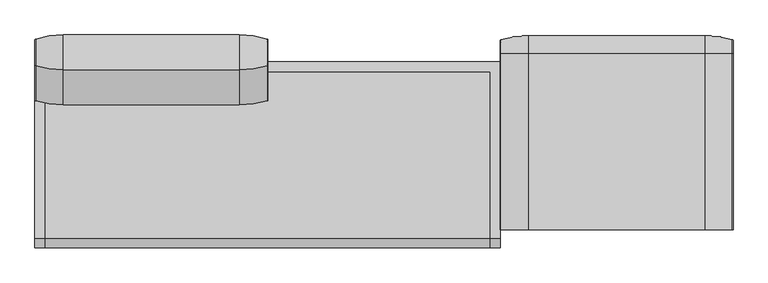
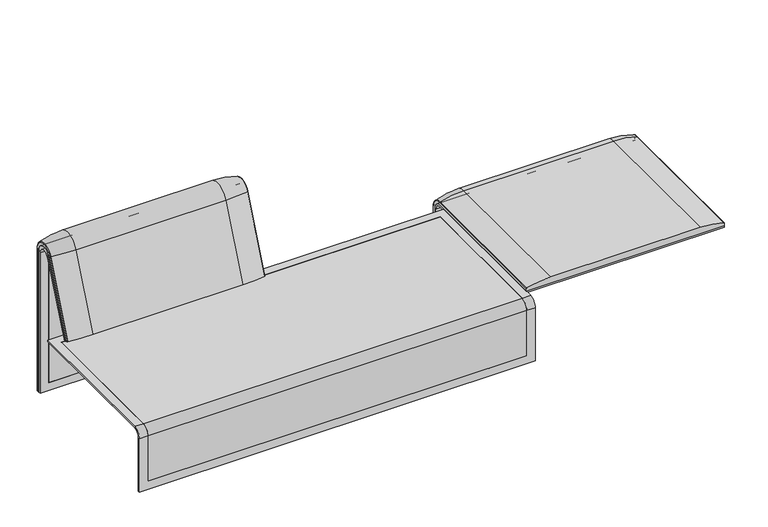
"""IFC4 building model written with IfcOpenShell, lengths in millimetres: furniture geometry."""

from ifc_helpers import new_model, si_unit, point, frame, frame_2d, origin, place, context, project, spatial, polyline, circle_curve, ellipse_curve, trimmed, segment, composite_curve, outline, extrude, source, transform, mapped, element, save
from ifc_brep_helpers import plane_surface, cylinder_surface, revolved_surface, advanced_brep


def furniture_a94e5508(model_context):
    return source(origin(), model_context, "Body", "SolidModel", [
        advanced_brep(
        [(-407.9740803, 351.0000061, 101.8476716), (-407.9740803, 359.7858817, 101.8476716), (-407.9740803, 359.7858817, 720.3417731), (-407.9740803, 292.4403877, 733.7122262), (-407.9740803, 170.1966807, 437.98305), (-407.9740803, 175.0204081, 435.9866665), (-407.9740803, 296.2458652, 723.9869215), (-407.9740803, 351.0000061, 712.9272623), (-1223.9553291, 351.0000061, 101.8476716), (-1223.9553291, 351.0000061, 712.9272623), (-1223.9553291, 296.2720241, 723.9759107), (-1223.9553291, 175.0204081, 435.9866665), (-1223.9553291, 170.1966807, 437.98305), (-1223.9553291, 292.4403877, 733.7122262), (-1223.9553291, 359.7858817, 720.3417731), (-1223.9553291, 359.7858817, 101.8476716), (-442.8906244, 292.4403877, 733.7122262), (-442.8906244, 176.0980387, 452.25948), (-1189.0718733, 176.0980387, 452.25948), (-1189.0718733, 292.4403877, 733.7122262), (-1189.0718733, 296.2458652, 723.9869215), (-1189.0718733, 181.0136548, 450.2250668), (-442.8906244, 181.0136548, 450.2250668), (-442.8906244, 296.2458652, 723.9869215), (-442.8906244, 351.0000061, 712.9272623), (-442.8906244, 351.0000061, 135.3766997), (-1189.0718733, 351.0000061, 135.3766997), (-1189.0718733, 351.0000061, 712.9272623), (-1189.0718733, 359.7858817, 720.3417731), (-1189.0718733, 359.7858817, 135.3766997), (-442.8906244, 359.7858817, 135.3766997), (-442.8906244, 359.7858817, 720.3417731)],
        [
            (0, 1),
            (1, 2),
            (2, 3, circle_curve(frame((-407.9740803, 324.7858817, 720.3417731), z_axis=(1.0, 0.0, 0.0), x_axis=(0.0, -1.0, 0.0)), 35.0)),
            (3, 4),
            (4, 5),
            (5, 6),
            (6, 7, circle_curve(frame((-407.9740803, 322.520748, 712.9272623), z_axis=(-1.0, 0.0, 0.0), x_axis=(0.0, -1.0, 0.0)), 28.479258)),
            (7, 0),
            (8, 9),
            (9, 10, circle_curve(frame((-1223.9553291, 322.520748, 712.9272623), z_axis=(1.0, 0.0, 0.0), x_axis=(0.0, -1.0, 0.0)), 28.479258)),
            (10, 11),
            (11, 12),
            (12, 13),
            (13, 14, circle_curve(frame((-1223.9553291, 324.7858817, 720.3417731), z_axis=(-1.0, 0.0, 0.0), x_axis=(0.0, -1.0, 0.0)), 35.0)),
            (14, 15),
            (15, 8),
            (3, 16),
            (16, 17),
            (17, 18),
            (18, 19),
            (19, 13),
            (12, 4),
            (11, 5),
            (10, 20),
            (20, 21),
            (21, 22),
            (22, 23),
            (23, 6),
            (7, 24),
            (24, 25),
            (25, 26),
            (26, 27),
            (27, 9),
            (8, 0),
            (15, 1),
            (14, 28),
            (28, 29),
            (29, 30),
            (30, 31),
            (31, 2),
            (31, 16, circle_curve(frame((-442.8906244, 324.7858817, 720.3417731), z_axis=(1.0, 0.0, 0.0), x_axis=(0.0, -1.0, 0.0)), 35.0)),
            (19, 28, circle_curve(frame((-1189.0718733, 324.7858817, 720.3417731), z_axis=(-1.0, 0.0, 0.0), x_axis=(0.0, -1.0, 0.0)), 35.0)),
            (23, 24, circle_curve(frame((-442.8906244, 322.520748, 712.9272623), z_axis=(-1.0, 0.0, 0.0), x_axis=(0.0, -1.0, 0.0)), 28.479258)),
            (27, 20, circle_curve(frame((-1189.0718733, 322.520748, 712.9272623), z_axis=(1.0, 0.0, 0.0), x_axis=(0.0, -1.0, 0.0)), 28.479258)),
            (22, 17),
            (30, 25),
            (26, 29),
            (18, 21),
        ],
        [
            plane_surface(frame((-407.9740803, 359.7858817, 101.8476716), z_axis=(1.0, 0.0, 0.0), x_axis=(0.0, 1.0, 0.0))),
            plane_surface(frame((-1223.9553291, 359.7858817, 101.8476716), z_axis=(-1.0, 0.0, 0.0), x_axis=(0.0, -1.0, 0.0))),
            plane_surface(frame((-407.9740803, 292.4403877, 733.7122262), z_axis=(0.0, -0.9241569717933176, 0.3820129467515535), x_axis=(-1.0, 0.0, 0.0))),
            plane_surface(frame((-407.9740803, 170.1966807, 437.98305), z_axis=(0.0, -0.38241039441983893, -0.9239925812687368), x_axis=(-1.0, 0.0, 0.0))),
            plane_surface(frame((-407.9740803, 175.0204081, 435.9866665), z_axis=(0.0, 0.921678643444566, -0.3879542218073993), x_axis=(-1.0, 0.0, 0.0))),
            plane_surface(frame((-407.9740803, 351.0000061, 712.9272623), z_axis=(0.0, -1.0, 0.0), x_axis=(-1.0, 0.0, 0.0))),
            plane_surface(frame((-407.9740803, 351.0000061, 101.8476716), z_axis=(0.0, 0.0, -1.0), x_axis=(-1.0, 0.0, 0.0))),
            plane_surface(frame((-407.9740803, 359.7858817, 101.8476716), z_axis=(0.0, 1.0, 0.0), x_axis=(-1.0, 0.0, 0.0))),
            cylinder_surface(frame((-1223.9553291, 324.7858817, 720.3417731), z_axis=(1.0, 0.0, 0.0), x_axis=(0.0, -1.0, 0.0)), 35.0),
            revolved_surface(polyline([(-442.8906244, 294.04149, 712.9272623), (-407.97408029999997, 294.04149, 712.9272623)]), (-1223.9553291, 322.520748, 712.9272623), (-1.0, 0.0, 0.0)),
            revolved_surface(polyline([(-1223.9553291, 294.04149, 712.9272623), (-1189.0718733, 294.04149, 712.9272623)]), (-1223.9553291, 322.520748, 712.9272623), (-1.0, 0.0, 0.0)),
            plane_surface(frame((-442.8906244, 359.7858817, 135.3766997), z_axis=(-1.0, 0.0, 0.0), x_axis=(0.0, 1.0, 0.0))),
            plane_surface(frame((-1189.0718733, 359.7858817, 135.3766997), z_axis=(1.0, 0.0, 0.0), x_axis=(0.0, -1.0, 0.0))),
            plane_surface(frame((-442.8906244, 166.9120641, 456.0612553), z_axis=(0.0, 0.38241039441982605, 0.9239925812687422), x_axis=(-1.0, 0.0, 0.0))),
            plane_surface(frame((-442.8906244, 344.7858817, 135.3766997), z_axis=(0.0, 0.0, 1.0), x_axis=(-1.0, 0.0, 0.0))),
        ],
        [
            (0, [[1, 2, 3, 4, 5, 6, 7, 8]]),
            (1, [[9, 10, 11, 12, 13, 14, 15, 16]]),
            (2, [[-4, 17, 18, 19, 20, 21, -13, 22]]),
            (3, [[-5, -22, -12, 23]]),
            (4, [[-6, -23, -11, 24, 25, 26, 27, 28]]),
            (5, [[-8, 29, 30, 31, 32, 33, -9, 34]]),
            (6, [[-1, -34, -16, 35]]),
            (7, [[-2, -35, -15, 36, 37, 38, 39, 40]]),
            (8, [[-3, -40, 41, -17]]),
            (8, [[-14, -21, 42, -36]]),
            (9, [[-7, -28, 43, -29]]),
            (10, [[-10, -33, 44, -24]]),
            (11, [[45, -18, -41, -39, 46, -30, -43, -27]]),
            (12, [[47, -37, -42, -20, 48, -25, -44, -32]]),
            (13, [[-45, -26, -48, -19]]),
            (14, [[-46, -38, -47, -31]]),
        ],
    ),
        advanced_brep(
        [(-442.8906244, 351.0000061, 135.3766997), (-442.8906244, 359.7858817, 135.3766997), (-442.8906244, 359.7858817, 720.3417731), (-442.8906244, 292.4403877, 733.7122262), (-442.8906244, 176.0980387, 452.25948), (-442.8906244, 181.0136548, 450.2250668), (-442.8906244, 296.2458652, 723.9869215), (-442.8906244, 351.0000061, 712.9272623), (-1189.0718733, 351.0000061, 135.3766997), (-1189.0718733, 351.0000061, 712.9272623), (-1189.0718733, 296.2720241, 723.9759107), (-1189.0718733, 181.0136548, 450.2250668), (-1189.0718733, 176.0980387, 452.25948), (-1189.0718733, 292.4403877, 733.7122262), (-1189.0718733, 359.7858817, 720.3417731), (-1189.0718733, 359.7858817, 135.3766997)],
        [
            (0, 1),
            (1, 2),
            (2, 3, circle_curve(frame((-442.8906244, 324.7858817, 720.3417731), z_axis=(1.0, 0.0, 0.0), x_axis=(0.0, -1.0, 0.0)), 35.0)),
            (3, 4),
            (4, 5),
            (5, 6),
            (6, 7, circle_curve(frame((-442.8906244, 322.520748, 712.9272623), z_axis=(-1.0, 0.0, 0.0), x_axis=(0.0, -1.0, 0.0)), 28.479258)),
            (7, 0),
            (8, 9),
            (9, 10, circle_curve(frame((-1189.0718733, 322.520748, 712.9272623), z_axis=(1.0, 0.0, 0.0), x_axis=(0.0, -1.0, 0.0)), 28.479258)),
            (10, 11),
            (11, 12),
            (12, 13),
            (13, 14, circle_curve(frame((-1189.0718733, 324.7858817, 720.3417731), z_axis=(-1.0, 0.0, 0.0), x_axis=(0.0, -1.0, 0.0)), 35.0)),
            (14, 15),
            (15, 8),
            (3, 13),
            (12, 4),
            (11, 5),
            (10, 6),
            (7, 9),
            (8, 0),
            (15, 1),
            (14, 2),
        ],
        [
            plane_surface(frame((-442.8906244, 359.7858817, 135.3766997), z_axis=(1.0, 0.0, 0.0), x_axis=(0.0, 1.0, 0.0))),
            plane_surface(frame((-1189.0718733, 359.7858817, 135.3766997), z_axis=(-1.0, 0.0, 0.0), x_axis=(0.0, -1.0, 0.0))),
            plane_surface(frame((-442.8906244, 292.4403877, 733.7122262), z_axis=(0.0, -0.9241569717933176, 0.3820129467515535), x_axis=(-1.0, 0.0, 0.0))),
            plane_surface(frame((-442.8906244, 176.0980387, 452.25948), z_axis=(0.0, -0.38241039441982716, -0.9239925812687417), x_axis=(-1.0, 0.0, 0.0))),
            plane_surface(frame((-442.8906244, 181.0136548, 450.2250668), z_axis=(0.0, 0.921678643444566, -0.3879542218073993), x_axis=(-1.0, 0.0, 0.0))),
            plane_surface(frame((-442.8906244, 351.0000061, 712.9272623), z_axis=(0.0, -1.0, 0.0), x_axis=(-1.0, 0.0, 0.0))),
            plane_surface(frame((-442.8906244, 351.0000061, 135.3766997), z_axis=(0.0, 0.0, -1.0), x_axis=(-1.0, 0.0, 0.0))),
            plane_surface(frame((-442.8906244, 359.7858817, 135.3766997), z_axis=(0.0, 1.0, 0.0), x_axis=(-1.0, 0.0, 0.0))),
            cylinder_surface(frame((-1189.0718733, 324.7858817, 720.3417731), z_axis=(1.0, 0.0, 0.0), x_axis=(0.0, -1.0, 0.0)), 35.0),
            revolved_surface(polyline([(-1189.0718733, 294.04149, 712.9272623), (-442.8906244, 294.04149, 712.9272623)]), (-1189.0718733, 322.520748, 712.9272623), (-1.0, 0.0, 0.0)),
        ],
        [
            (0, [[1, 2, 3, 4, 5, 6, 7, 8]]),
            (1, [[9, 10, 11, 12, 13, 14, 15, 16]]),
            (2, [[-4, 17, -13, 18]]),
            (3, [[-5, -18, -12, 19]]),
            (4, [[-6, -19, -11, 20]]),
            (5, [[-8, 21, -9, 22]]),
            (6, [[-1, -22, -16, 23]]),
            (7, [[-2, -23, -15, 24]]),
            (8, [[-3, -24, -14, -17]]),
            (9, [[-7, -20, -10, -21]]),
        ],
    ),
        extrude(outline(composite_curve([segment(trimmed(circle_curve(frame_2d((305.0000061, 379.9223263)), 30.0), [point((305.0000061, 349.9223263))], [point((335.0000061, 379.9223263))], True, "CARTESIAN"), True, "CONTINUOUS"), segment(polyline([(335.0000061, 379.9223263), (335.0000061, 515.0657595)]), True, "CONTINUOUS"), segment(trimmed(circle_curve(frame_2d((305.0000061, 515.0657595)), 30.0), [point((335.0000061, 515.0657595))], [point((316.7219399, 542.6809051))], True, "CARTESIAN"), True, "CONTINUOUS"), segment(polyline([(316.7219399, 542.6809051), (257.4911714, 567.8228747)]), True, "CONTINUOUS"), segment(trimmed(circle_curve(frame_2d((251.6302045, 554.0153019)), 15.0), [point((257.4911714, 567.8228747))], [point((238.0355877, 560.3545758))], True, "CARTESIAN"), True, "CONTINUOUS"), segment(polyline([(238.0355877, 560.3545758), (222.2725218, 526.5505721), (213.7507451, 529.5682915), (296.3054528, 724.0549949)]), True, "CONTINUOUS"), segment(trimmed(circle_curve(frame_2d((322.520748, 712.9272623)), 28.479258), [point((296.3054528, 724.0549949))], [point((351.0000061, 712.9272623))], False, "CARTESIAN"), True, "CONTINUOUS"), segment(polyline([(351.0000061, 712.9272623), (351.0000061, 197.0551771), (343.3075759, 197.0551771), (339.4064861, 271.492405)]), True, "CONTINUOUS"), segment(trimmed(circle_curve(frame_2d((309.4476, 269.9223263)), 30.0), [point((339.4064861, 271.492405))], [point((309.4476, 299.9223263))], True, "CARTESIAN"), True, "CONTINUOUS"), segment(polyline([(309.4476, 299.9223263), (270.0000061, 299.9223263), (270.0000061, 359.9223263), (275.0000061, 359.9223263)]), True, "CONTINUOUS"), segment(trimmed(circle_curve(frame_2d((285.0000061, 359.9223263)), 10.0), [point((275.0000061, 359.9223263))], [point((285.0000061, 349.9223263))], True, "CARTESIAN"), True, "CONTINUOUS"), segment(polyline([(285.0000061, 349.9223263), (305.0000061, 349.9223263)]), True, "CONTINUOUS")], self_intersect=False), holes=[composite_curve([segment(polyline([(337.5000061, 576.3274105), (337.5000061, 716.7072663)]), True, "CONTINUOUS"), segment(trimmed(circle_curve(frame_2d((322.5000061, 716.7072663)), 15.0), [point((337.5000061, 716.7072663))], [point((308.9053893, 723.0465402))], True, "CARTESIAN"), True, "CONTINUOUS"), segment(polyline([(308.9053893, 723.0465402), (253.6256191, 604.4986904)]), True, "CONTINUOUS"), segment(trimmed(circle_curve(frame_2d((271.7517748, 596.0463251)), 20.0), [point((253.6256191, 604.4986904))], [point((265.0756376, 577.1934953))], True, "CARTESIAN"), True, "CONTINUOUS"), segment(polyline([(265.0756376, 577.1934953), (314.1406626, 559.8186587)]), True, "CONTINUOUS"), segment(trimmed(circle_curve(frame_2d((319.9867182, 576.3274105)), 17.5132879), [point((314.1406626, 559.8186587))], [point((337.5000061, 576.3274105))], True, "CARTESIAN"), True, "CONTINUOUS")], self_intersect=False)]), frame((-570.986452, 0.0, 0.0), z_axis=(1.0, 0.0, 0.0), x_axis=(0.0, 1.0, 0.0)), (0.0, 0.0, 1.0), 40.0),
        advanced_brep(
        [(-507.9740803, 388.2902376, 100.5089435), (-410.1127088, 373.93893, 100.5089435), (-407.9740803, 371.0652495, 100.5089435), (-407.9740803, 359.7858817, 100.5089435), (-1223.9884174, 359.7858817, 100.5089435), (-1223.9884174, 371.0652495, 100.5089435), (-1221.8497889, 373.93893, 100.5089435), (-1123.9884174, 388.2902376, 100.5089435), (-1123.9884174, 388.2902376, 720.3417731), (-507.9740803, 388.2902376, 720.3417731), (-410.1127088, 373.93893, 720.3417731), (-407.9740803, 371.0652495, 720.3417731), (-407.9740803, 282.0164812, 738.0210907), (-407.9740803, 159.7723383, 442.2908598), (-407.9740803, 170.1962447, 437.9819952), (-407.9740803, 292.4403877, 733.7122262), (-407.9740803, 359.7858817, 720.3417731), (-1223.9884174, 359.7858817, 720.3417731), (-507.9740803, 143.8537454, 448.8710282), (-1123.9884174, 143.8537454, 448.8710282), (-1221.8497889, 157.1166065, 443.3886429), (-1223.9884174, 159.7723383, 442.2908598), (-1223.9884174, 170.1962447, 437.9819952), (-410.1127088, 157.1166065, 443.3886429), (-507.9740803, 266.0978884, 744.6012592), (-1123.9884174, 266.0978884, 744.6012592), (-410.1127088, 279.3607494, 739.1188739), (-1223.9884174, 292.4403877, 733.7122262), (-1223.9884174, 282.0164812, 738.0210907), (-1223.9884174, 371.0652495, 720.3417731), (-1221.8497889, 373.93893, 720.3417731), (-1221.8497889, 279.3607494, 739.1188739)],
        [
            (0, 1, circle_curve(frame((-507.9740803, 47.4569043, 100.5089435), z_axis=(0.0, 0.0, -1.0), x_axis=(0.0, -1.0, 0.0)), 340.8333333)),
            (1, 2, circle_curve(frame((-410.9740803, 371.0652495, 100.5089435), z_axis=(0.0, 0.0, -1.0), x_axis=(1.0, 0.0, 0.0)), 3.0)),
            (2, 3),
            (3, 4),
            (4, 5),
            (5, 6, circle_curve(frame((-1220.9884174, 371.0652495, 100.5089435), z_axis=(0.0, 0.0, -1.0), x_axis=(-1.0, 0.0, 0.0)), 3.0)),
            (6, 7, circle_curve(frame((-1123.9884174, 47.4569043, 100.5089435), z_axis=(0.0, 0.0, -1.0), x_axis=(0.0, -1.0, 0.0)), 340.8333333)),
            (7, 0),
            (7, 8),
            (8, 9),
            (9, 0),
            (9, 10, circle_curve(frame((-507.9740803, 47.4569043, 720.3417731), z_axis=(0.0, 0.0, -1.0), x_axis=(0.0, -1.0, 0.0)), 340.8333333)),
            (10, 1),
            (10, 11, circle_curve(frame((-410.9740803, 371.0652495, 720.3417731), z_axis=(0.0, 0.0, -1.0), x_axis=(1.0, 0.0, 0.0)), 3.0)),
            (11, 2),
            (11, 12, circle_curve(frame((-407.9740803, 324.7858817, 720.3417731), z_axis=(1.0, 0.0, 0.0), x_axis=(0.0, 1.0, 0.0)), 46.2793679)),
            (12, 13),
            (13, 14),
            (14, 15),
            (15, 16, circle_curve(frame((-407.9740803, 324.7858817, 720.3417731), z_axis=(-1.0, 0.0, 0.0), x_axis=(0.0, 1.0, 0.0)), 35.0)),
            (16, 3),
            (16, 17),
            (17, 4),
            (18, 19),
            (19, 20, circle_curve(frame((-1123.9884174, 458.8372467, 318.6682822), z_axis=(0.0, -0.38201294675155345, -0.9241569717933176), x_axis=(0.0, 0.9241569717933176, -0.38201294675155345)), 340.8333333)),
            (20, 21, circle_curve(frame((-1220.9884174, 159.7723383, 442.2908598), z_axis=(0.0, -0.38201294675155345, -0.9241569717933176), x_axis=(-1.0, 0.0, 0.0)), 3.0)),
            (21, 22),
            (22, 14),
            (13, 23, circle_curve(frame((-410.9740803, 159.7723383, 442.2908598), z_axis=(0.0, -0.38201294675155345, -0.9241569717933176), x_axis=(1.0, 0.0, 0.0)), 3.0)),
            (23, 18, circle_curve(frame((-507.9740803, 458.8372467, 318.6682822), z_axis=(0.0, -0.38201294675155345, -0.9241569717933176), x_axis=(0.0, 0.9241569717933176, -0.38201294675155345)), 340.8333333)),
            (24, 9, circle_curve(frame((-507.9740803, 324.7858817, 720.3417731), z_axis=(-1.0, 0.0, 0.0), x_axis=(0.0, 1.0, 0.0)), 63.5043559)),
            (8, 25, circle_curve(frame((-1123.9884174, 324.7858817, 720.3417731), z_axis=(1.0, 0.0, 0.0), x_axis=(0.0, 1.0, 0.0)), 63.5043559)),
            (25, 24),
            (26, 10, circle_curve(frame((-410.1127088, 324.7858817, 720.3417731), z_axis=(-1.0, 0.0, 0.0), x_axis=(0.0, 1.0, 0.0)), 49.1530483)),
            (24, 26, circle_curve(frame((-507.9740803, 581.0813896, 614.3985132), z_axis=(0.0, 0.382012946751556, 0.9241569717933165), x_axis=(0.0, 0.9241569717933165, -0.382012946751556)), 340.8333333)),
            (26, 12, circle_curve(frame((-410.9740803, 282.0164812, 738.0210907), z_axis=(0.0, 0.3820129467515552, 0.9241569717933168), x_axis=(1.0, 0.0, 0.0)), 3.0)),
            (27, 17, circle_curve(frame((-1223.9884174, 324.7858817, 720.3417731), z_axis=(-1.0, 0.0, 0.0), x_axis=(0.0, 1.0, 0.0)), 35.0)),
            (15, 27),
            (25, 19),
            (18, 24),
            (23, 26),
            (22, 27),
            (21, 28),
            (28, 29, circle_curve(frame((-1223.9884174, 324.7858817, 720.3417731), z_axis=(-1.0, 0.0, 0.0), x_axis=(0.0, 1.0, 0.0)), 46.2793679)),
            (29, 5),
            (29, 30, circle_curve(frame((-1220.9884174, 371.0652495, 720.3417731), z_axis=(0.0, 0.0, -1.0), x_axis=(-1.0, 0.0, 0.0)), 3.0)),
            (30, 6),
            (30, 8, circle_curve(frame((-1123.9884174, 47.4569043, 720.3417731), z_axis=(0.0, 0.0, -1.0), x_axis=(0.0, -1.0, 0.0)), 340.8333333)),
            (31, 30, circle_curve(frame((-1221.8497889, 324.7858817, 720.3417731), z_axis=(-1.0, 0.0, 0.0), x_axis=(0.0, 1.0, 0.0)), 49.1530483)),
            (28, 31, circle_curve(frame((-1220.9884174, 282.0164812, 738.0210907), z_axis=(0.0, 0.3820129467515544, 0.9241569717933172), x_axis=(-1.0, 0.0, 0.0)), 3.0)),
            (31, 25, circle_curve(frame((-1123.9884174, 581.0813896, 614.3985132), z_axis=(0.0, 0.3820129467515532, 0.9241569717933177), x_axis=(0.0, 0.9241569717933177, -0.3820129467515532)), 340.8333333)),
            (20, 31),
        ],
        [
            plane_surface(frame((-811.2162256, 359.7858817, 100.5089435), z_axis=(0.0, 0.0, -1.0), x_axis=(1.0, 0.0, 0.0))),
            plane_surface(frame((-1123.9884174, 388.2902376, 100.5089435), z_axis=(0.0, 1.0, 0.0), x_axis=(0.0, 0.0, 1.0))),
            cylinder_surface(frame((-507.9740803, 47.4569043, 100.5089435), z_axis=(0.0, 0.0, -1.0), x_axis=(0.0, -1.0, 0.0)), 340.8333333),
            cylinder_surface(frame((-410.9740803, 371.0652495, 100.5089435), z_axis=(0.0, 0.0, -1.0), x_axis=(1.0, 0.0, 0.0)), 3.0),
            plane_surface(frame((-407.9740803, 371.0652495, 100.5089435), z_axis=(1.0, 0.0, 0.0), x_axis=(0.0, 0.0, 1.0))),
            plane_surface(frame((-407.9740803, 359.7858817, 100.5089435), z_axis=(0.0, -1.0, 0.0), x_axis=(0.0, 0.0, 1.0))),
            plane_surface(frame((-811.2162256, 170.1962447, 437.9819952), z_axis=(0.0, -0.38201294675155345, -0.9241569717933176), x_axis=(1.0, 0.0, 0.0))),
            cylinder_surface(frame((-811.2162256, 324.7858817, 720.3417731), z_axis=(1.0, 0.0, 0.0), x_axis=(0.0, 1.0, 0.0)), 63.5043559),
            revolved_surface(trimmed(ellipse_curve(frame((-507.9740803, 47.4569043, 720.3417731), z_axis=(0.0, 0.0, -1.0), x_axis=(0.0, -1.0, 0.0)), 340.8333333, 340.8333333), [point((-507.9740803, 388.2902376, 720.3417731))], [point((-410.1127088, 373.93893, 720.3417731))], True, "CARTESIAN"), (-811.2162256, 324.7858817, 720.3417731), (1.0, 0.0, 0.0)),
            revolved_surface(trimmed(ellipse_curve(frame((-410.9740803, 371.0652495, 720.3417731), z_axis=(0.0, 0.0, -1.0), x_axis=(1.0, 0.0, 0.0)), 3.0, 3.0), [point((-410.1127088, 373.93893, 720.3417731))], [point((-407.9740803, 371.0652495, 720.3417731))], True, "CARTESIAN"), (-811.2162256, 324.7858817, 720.3417731), (1.0, 0.0, 0.0)),
            revolved_surface(polyline([(-407.9740803, 359.7858817, 720.3417731), (-1223.9884174, 359.7858817, 720.3417731)]), (-811.2162256, 324.7858817, 720.3417731), (1.0, 0.0, 0.0)),
            plane_surface(frame((-1123.9884174, 266.0978884, 744.6012592), z_axis=(0.0, -0.9241569717933176, 0.38201294675155356), x_axis=(0.0, -0.38201294675155356, -0.9241569717933176))),
            cylinder_surface(frame((-507.9740803, 581.0813896, 614.3985132), z_axis=(0.0, 0.38201294675155345, 0.9241569717933176), x_axis=(0.0, 0.9241569717933176, -0.38201294675155345)), 340.8333333),
            cylinder_surface(frame((-410.9740803, 282.0164812, 738.0210907), z_axis=(0.0, 0.38201294675155345, 0.9241569717933176), x_axis=(1.0, 0.0, 0.0)), 3.0),
            plane_surface(frame((-407.9740803, 292.4403877, 733.7122262), z_axis=(0.0, 0.9241569717933176, -0.38201294675155356), x_axis=(0.0, -0.38201294675155356, -0.9241569717933176))),
            plane_surface(frame((-1223.9884174, 359.7858817, 100.5089435), z_axis=(-1.0, 0.0, 0.0), x_axis=(0.0, 0.0, 1.0))),
            cylinder_surface(frame((-1220.9884174, 371.0652495, 100.5089435), z_axis=(0.0, 0.0, -1.0), x_axis=(-1.0, 0.0, 0.0)), 3.0),
            cylinder_surface(frame((-1123.9884174, 47.4569043, 100.5089435), z_axis=(0.0, 0.0, -1.0), x_axis=(0.0, -1.0, 0.0)), 340.8333333),
            revolved_surface(trimmed(ellipse_curve(frame((-1220.9884174, 371.0652495, 720.3417731), z_axis=(0.0, 0.0, -1.0), x_axis=(-1.0, 0.0, 0.0)), 3.0, 3.0), [point((-1223.9884174, 371.0652495, 720.3417731))], [point((-1221.8497889, 373.93893, 720.3417731))], True, "CARTESIAN"), (-811.2162256, 324.7858817, 720.3417731), (1.0, 0.0, 0.0)),
            revolved_surface(trimmed(ellipse_curve(frame((-1123.9884174, 47.4569043, 720.3417731), z_axis=(0.0, 0.0, -1.0), x_axis=(0.0, -1.0, 0.0)), 340.8333333, 340.8333333), [point((-1221.8497889, 373.93893, 720.3417731))], [point((-1123.9884174, 388.2902376, 720.3417731))], True, "CARTESIAN"), (-811.2162256, 324.7858817, 720.3417731), (1.0, 0.0, 0.0)),
            cylinder_surface(frame((-1220.9884174, 282.0164812, 738.0210907), z_axis=(0.0, 0.38201294675155345, 0.9241569717933176), x_axis=(-1.0, 0.0, 0.0)), 3.0),
            cylinder_surface(frame((-1123.9884174, 581.0813896, 614.3985132), z_axis=(0.0, 0.38201294675155345, 0.9241569717933176), x_axis=(0.0, 0.9241569717933176, -0.38201294675155345)), 340.8333333),
        ],
        [
            (0, [[1, 2, 3, 4, 5, 6, 7, 8]]),
            (1, [[-8, 9, 10, 11]]),
            (2, [[-1, -11, 12, 13]]),
            (3, [[-2, -13, 14, 15]]),
            (4, [[-3, -15, 16, 17, 18, 19, 20, 21]]),
            (5, [[-4, -21, 22, 23]]),
            (6, [[24, 25, 26, 27, 28, -18, 29, 30]]),
            (7, [[31, -10, 32, 33]]),
            (8, [[34, -12, -31, 35]]),
            (9, [[-16, -14, -34, 36]]),
            (10, [[37, -22, -20, 38]]),
            (11, [[-33, 39, -24, 40]]),
            (12, [[-35, -40, -30, 41]]),
            (13, [[-36, -41, -29, -17]]),
            (14, [[-38, -19, -28, 42]]),
            (15, [[-5, -23, -37, -42, -27, 43, 44, 45]]),
            (16, [[-6, -45, 46, 47]]),
            (17, [[-7, -47, 48, -9]]),
            (18, [[49, -46, -44, 50]]),
            (19, [[-32, -48, -49, 51]]),
            (20, [[-50, -43, -26, 52]]),
            (21, [[-51, -52, -25, -39]]),
        ],
    ),
        extrude(outline(composite_curve([segment(trimmed(circle_curve(frame_2d((305.0000061, 379.9223263)), 30.0), [point((305.0000061, 349.9223263))], [point((335.0000061, 379.9223263))], True, "CARTESIAN"), True, "CONTINUOUS"), segment(polyline([(335.0000061, 379.9223263), (335.0000061, 515.0657595)]), True, "CONTINUOUS"), segment(trimmed(circle_curve(frame_2d((305.0000061, 515.0657595)), 30.0), [point((335.0000061, 515.0657595))], [point((316.7219399, 542.6809051))], True, "CARTESIAN"), True, "CONTINUOUS"), segment(polyline([(316.7219399, 542.6809051), (257.4911714, 567.8228747)]), True, "CONTINUOUS"), segment(trimmed(circle_curve(frame_2d((251.6302045, 554.0153019)), 15.0), [point((257.4911714, 567.8228747))], [point((238.0355877, 560.3545758))], True, "CARTESIAN"), True, "CONTINUOUS"), segment(polyline([(238.0355877, 560.3545758), (222.2725218, 526.5505721), (213.7507451, 529.5682915), (296.3054528, 724.0549949)]), True, "CONTINUOUS"), segment(trimmed(circle_curve(frame_2d((322.520748, 712.9272623)), 28.479258), [point((296.3054528, 724.0549949))], [point((351.0000061, 712.9272623))], False, "CARTESIAN"), True, "CONTINUOUS"), segment(polyline([(351.0000061, 712.9272623), (351.0000061, 197.0551771), (343.3075759, 197.0551771), (339.4064861, 271.492405)]), True, "CONTINUOUS"), segment(trimmed(circle_curve(frame_2d((309.4476, 269.9223263)), 30.0), [point((339.4064861, 271.492405))], [point((309.4476, 299.9223263))], True, "CARTESIAN"), True, "CONTINUOUS"), segment(polyline([(309.4476, 299.9223263), (270.0000061, 299.9223263), (270.0000061, 359.9223263), (275.0000061, 359.9223263)]), True, "CONTINUOUS"), segment(trimmed(circle_curve(frame_2d((285.0000061, 359.9223263)), 10.0), [point((275.0000061, 359.9223263))], [point((285.0000061, 349.9223263))], True, "CARTESIAN"), True, "CONTINUOUS"), segment(polyline([(285.0000061, 349.9223263), (305.0000061, 349.9223263)]), True, "CONTINUOUS")], self_intersect=False), holes=[composite_curve([segment(polyline([(337.5000061, 576.3274105), (337.5000061, 716.7072663)]), True, "CONTINUOUS"), segment(trimmed(circle_curve(frame_2d((322.5000061, 716.7072663)), 15.0), [point((337.5000061, 716.7072663))], [point((308.9053893, 723.0465402))], True, "CARTESIAN"), True, "CONTINUOUS"), segment(polyline([(308.9053893, 723.0465402), (253.6256191, 604.4986904)]), True, "CONTINUOUS"), segment(trimmed(circle_curve(frame_2d((271.7517748, 596.0463251)), 20.0), [point((253.6256191, 604.4986904))], [point((265.0756376, 577.1934953))], True, "CARTESIAN"), True, "CONTINUOUS"), segment(polyline([(265.0756376, 577.1934953), (314.1406626, 559.8186587)]), True, "CONTINUOUS"), segment(trimmed(circle_curve(frame_2d((319.9867182, 576.3274105)), 17.5132879), [point((314.1406626, 559.8186587))], [point((337.5000061, 576.3274105))], True, "CARTESIAN"), True, "CONTINUOUS")], self_intersect=False)]), frame((-1100.9760457, 0.0, 0.0), z_axis=(1.0, 0.0, 0.0), x_axis=(0.0, 1.0, 0.0)), (0.0, 0.0, 1.0), 40.0),
        advanced_brep(
        [(407.9906244, -295.0, 359.922434), (407.9906244, -295.0, 366.172434), (407.9906244, 324.3858663, 366.172434), (407.9906244, 357.5, 333.0583003), (407.9906244, 357.5, 100.5089435), (407.9906244, 351.0, 100.5089435), (407.9906244, 351.0, 332.6742277), (407.9906244, 323.7517936, 359.922434), (1223.9718733, -295.0, 359.922434), (1223.9718733, 323.7517936, 359.922434), (1223.9718733, 351.0, 332.6742277), (1223.9718733, 351.0, 100.5089435), (1223.9718733, 357.5, 100.5089435), (1223.9718733, 357.5, 333.0583003), (1223.9718733, 324.3858663, 366.172434), (1223.9718733, -295.0, 366.172434), (1189.0718733, 324.3858663, 366.172434), (1189.0718733, -260.0, 366.172434), (442.8906244, -260.0, 366.172434), (442.8906244, 324.3858663, 366.172434), (442.8906244, 357.5, 333.0583003), (1189.0718733, 357.5, 333.0583003), (442.8906244, 357.5, 135.3766997), (1189.0718733, 357.5, 135.3766997), (1189.0718733, 351.0, 332.6742277), (1189.0718733, 351.0, 135.3766997), (442.8906244, 351.0, 135.3766997), (442.8906244, 351.0, 332.6742277), (442.8906244, 323.7517936, 359.922434), (1189.0718733, 323.7517936, 359.922434), (442.8906244, -260.0, 359.922434), (1189.0718733, -260.0, 359.922434)],
        [
            (0, 1),
            (1, 2),
            (2, 3, circle_curve(frame((407.9906244, 324.3858663, 333.0583003), z_axis=(-1.0, 0.0, 0.0), x_axis=(0.0, 1.0, 0.0)), 33.1141337)),
            (3, 4),
            (4, 5),
            (5, 6),
            (6, 7, circle_curve(frame((407.9906244, 323.7517936, 332.6742277), z_axis=(1.0, 0.0, 0.0), x_axis=(0.0, 1.0, 0.0)), 27.2482064)),
            (7, 0),
            (8, 9),
            (9, 10, circle_curve(frame((1223.9718733, 323.7517936, 332.6742277), z_axis=(-1.0, 0.0, 0.0), x_axis=(0.0, 1.0, 0.0)), 27.2482064)),
            (10, 11),
            (11, 12),
            (12, 13),
            (13, 14, circle_curve(frame((1223.9718733, 324.3858663, 333.0583003), z_axis=(1.0, 0.0, 0.0), x_axis=(0.0, 1.0, 0.0)), 33.1141337)),
            (14, 15),
            (15, 8),
            (0, 8),
            (15, 1),
            (14, 16),
            (16, 17),
            (17, 18),
            (18, 19),
            (19, 2),
            (19, 20, circle_curve(frame((442.8906244, 324.3858663, 333.0583003), z_axis=(-1.0, 0.0, 0.0), x_axis=(0.0, 1.0, 0.0)), 33.1141337)),
            (20, 3),
            (13, 21),
            (21, 16, circle_curve(frame((1189.0718733, 324.3858663, 333.0583003), z_axis=(1.0, 0.0, 0.0), x_axis=(0.0, 1.0, 0.0)), 33.1141337)),
            (20, 22),
            (22, 23),
            (23, 21),
            (12, 4),
            (11, 5),
            (10, 24),
            (24, 25),
            (25, 26),
            (26, 27),
            (27, 6),
            (27, 28, circle_curve(frame((442.8906244, 323.7517936, 332.6742277), z_axis=(1.0, 0.0, 0.0), x_axis=(0.0, 1.0, 0.0)), 27.2482064)),
            (28, 7),
            (9, 29),
            (29, 24, circle_curve(frame((1189.0718733, 323.7517936, 332.6742277), z_axis=(-1.0, 0.0, 0.0), x_axis=(0.0, 1.0, 0.0)), 27.2482064)),
            (28, 30),
            (30, 31),
            (31, 29),
            (26, 22),
            (18, 30),
            (31, 17),
            (23, 25),
        ],
        [
            plane_surface(frame((407.9906244, 296.9265415, 359.922434), z_axis=(-1.0, 0.0, 0.0), x_axis=(0.0, 1.0, 0.0))),
            plane_surface(frame((1223.9718733, 296.9265415, 359.922434), z_axis=(1.0, 0.0, 0.0), x_axis=(0.0, -1.0, 0.0))),
            plane_surface(frame((407.9906244, -295.0, 366.172434), z_axis=(0.0, -1.0, 0.0), x_axis=(1.0, 0.0, 0.0))),
            plane_surface(frame((407.9906244, 324.3858663, 366.172434), z_axis=(0.0, 0.0, 1.0), x_axis=(1.0, 0.0, 0.0))),
            cylinder_surface(frame((1223.9718733, 324.3858663, 333.0583003), z_axis=(-1.0, 0.0, 0.0), x_axis=(0.0, 1.0, 0.0)), 33.1141337),
            plane_surface(frame((407.9906244, 357.5, 100.5089435), z_axis=(0.0, 1.0, 0.0), x_axis=(1.0, 0.0, 0.0))),
            plane_surface(frame((407.9906244, 351.0, 100.5089435), z_axis=(0.0, 0.0, -1.0), x_axis=(1.0, 0.0, 0.0))),
            plane_surface(frame((407.9906244, 351.0, 332.6742277), z_axis=(0.0, -1.0, 0.0), x_axis=(1.0, 0.0, 0.0))),
            revolved_surface(polyline([(442.8906244, 351.0, 332.6742277), (407.9906244, 351.0, 332.6742277)]), (1223.9718733, 323.7517936, 332.6742277), (1.0, 0.0, 0.0)),
            revolved_surface(polyline([(1223.9718733, 351.0, 332.6742277), (1189.0718733, 351.0, 332.6742277)]), (1223.9718733, 323.7517936, 332.6742277), (1.0, 0.0, 0.0)),
            plane_surface(frame((407.9906244, -295.0, 359.922434), z_axis=(0.0, 0.0, -1.0), x_axis=(1.0, 0.0, 0.0))),
            plane_surface(frame((442.8906244, 296.9265415, 359.922434), z_axis=(1.0, 0.0, 0.0), x_axis=(0.0, 1.0, 0.0))),
            plane_surface(frame((1189.0718733, 296.9265415, 359.922434), z_axis=(-1.0, 0.0, 0.0), x_axis=(0.0, -1.0, 0.0))),
            plane_surface(frame((442.8906244, -260.0, 366.172434), z_axis=(0.0, 1.0, 0.0), x_axis=(1.0, 0.0, 0.0))),
            plane_surface(frame((442.8906244, 351.0, 135.3766997), z_axis=(0.0, 0.0, 1.0), x_axis=(1.0, 0.0, 0.0))),
        ],
        [
            (0, [[1, 2, 3, 4, 5, 6, 7, 8]]),
            (1, [[9, 10, 11, 12, 13, 14, 15, 16]]),
            (2, [[17, -16, 18, -1]]),
            (3, [[-18, -15, 19, 20, 21, 22, 23, -2]]),
            (4, [[-23, 24, 25, -3]]),
            (4, [[26, 27, -19, -14]]),
            (5, [[-25, 28, 29, 30, -26, -13, 31, -4]]),
            (6, [[-31, -12, 32, -5]]),
            (7, [[-32, -11, 33, 34, 35, 36, 37, -6]]),
            (8, [[-37, 38, 39, -7]]),
            (9, [[40, 41, -33, -10]]),
            (10, [[-39, 42, 43, 44, -40, -9, -17, -8]]),
            (11, [[-42, -38, -36, 45, -28, -24, -22, 46]]),
            (12, [[-34, -41, -44, 47, -20, -27, -30, 48]]),
            (13, [[-21, -47, -43, -46]]),
            (14, [[-35, -48, -29, -45]]),
        ],
    ),
        extrude(outline(composite_curve([segment(polyline([(-260.0, 359.922434), (-260.0, 366.172434), (324.3858663, 366.172434)]), True, "CONTINUOUS"), segment(trimmed(circle_curve(frame_2d((324.3858663, 333.0583003)), 33.1141337), [point((324.3858663, 366.172434))], [point((357.5, 333.0583003))], False, "CARTESIAN"), True, "CONTINUOUS"), segment(polyline([(357.5, 333.0583003), (357.5, 135.3766997), (351.0, 135.3766997), (351.0, 332.6742277)]), True, "CONTINUOUS"), segment(trimmed(circle_curve(frame_2d((323.7517936, 332.6742277)), 27.2482064), [point((351.0, 332.6742277))], [point((323.7517936, 359.922434))], True, "CARTESIAN"), True, "CONTINUOUS"), segment(polyline([(323.7517936, 359.922434), (-260.0, 359.922434)]), True, "CONTINUOUS")], self_intersect=False)), frame((442.8906244, 0.0, 0.0), z_axis=(1.0, 0.0, 0.0), x_axis=(0.0, 1.0, 0.0)), (0.0, 0.0, 1.0), 746.1812488),
        advanced_brep(
        [(407.9906244, 368.7793679, 100.5089435), (410.1292529, 371.6530483, 100.5089435), (507.9906244, 386.0043559, 100.5089435), (1123.9718733, 386.0043559, 100.5089435), (1221.8332448, 371.6530483, 100.5089435), (1223.9718733, 368.7793679, 100.5089435), (1223.9718733, 357.5, 100.5089435), (407.9906244, 357.5, 100.5089435), (407.9906244, -295.0, 377.4518019), (407.9906244, -295.0, 366.172434), (1223.9718733, -295.0, 366.172434), (1223.9718733, -295.0, 377.4518019), (1221.8332448, -295.0, 380.3254823), (1123.9718733, -295.0, 394.67679), (507.9906244, -295.0, 394.67679), (410.1292529, -295.0, 380.3254823), (407.9906244, 357.5, 333.0583003), (407.9906244, 324.3858663, 366.172434), (407.9906244, 324.3858663, 377.4518019), (407.9906244, 368.7793679, 333.0583003), (1223.9718733, 357.5, 333.0583003), (507.9906244, 386.0043559, 333.0583003), (1123.9718733, 386.0043559, 333.0583003), (410.1292529, 371.6530483, 333.0583003), (1223.9718733, 324.3858663, 366.172434), (507.9906244, 324.3858663, 394.67679), (1123.9718733, 324.3858663, 394.67679), (410.1292529, 324.3858663, 380.3254823), (1223.9718733, 368.7793679, 333.0583003), (1223.9718733, 324.3858663, 377.4518019), (1221.8332448, 371.6530483, 333.0583003), (1221.8332448, 324.3858663, 380.3254823)],
        [
            (0, 1, circle_curve(frame((410.9906244, 368.7793679, 100.5089435), z_axis=(0.0, 0.0, -1.0), x_axis=(1.0, 0.0, 0.0)), 3.0)),
            (1, 2, circle_curve(frame((507.9906244, 45.1710226, 100.5089435), z_axis=(0.0, 0.0, -1.0), x_axis=(0.0, -1.0, 0.0)), 340.8333333)),
            (2, 3),
            (3, 4, circle_curve(frame((1123.9718733, 45.1710226, 100.5089435), z_axis=(0.0, 0.0, -1.0), x_axis=(0.0, -1.0, 0.0)), 340.8333333)),
            (4, 5, circle_curve(frame((1220.9718733, 368.7793679, 100.5089435), z_axis=(0.0, 0.0, -1.0), x_axis=(-1.0, 0.0, 0.0)), 3.0)),
            (5, 6),
            (6, 7),
            (7, 0),
            (8, 9),
            (9, 10),
            (10, 11),
            (11, 12, circle_curve(frame((1220.9718733, -295.0, 377.4518019), z_axis=(0.0, -1.0, 0.0), x_axis=(-1.0, 0.0, 0.0)), 3.0)),
            (12, 13, circle_curve(frame((1123.9718733, -295.0, 53.8434566), z_axis=(0.0, -1.0, 0.0), x_axis=(0.0, 0.0, -1.0)), 340.8333333)),
            (13, 14),
            (14, 15, circle_curve(frame((507.9906244, -295.0, 53.8434566), z_axis=(0.0, -1.0, 0.0), x_axis=(0.0, 0.0, -1.0)), 340.8333333)),
            (15, 8, circle_curve(frame((410.9906244, -295.0, 377.4518019), z_axis=(0.0, -1.0, 0.0), x_axis=(1.0, 0.0, 0.0)), 3.0)),
            (7, 16),
            (16, 17, circle_curve(frame((407.9906244, 324.3858663, 333.0583003), z_axis=(1.0, 0.0, 0.0), x_axis=(0.0, 1.0, 0.0)), 33.1141337)),
            (17, 9),
            (8, 18),
            (18, 19, circle_curve(frame((407.9906244, 324.3858663, 333.0583003), z_axis=(-1.0, 0.0, 0.0), x_axis=(0.0, 1.0, 0.0)), 44.3935016)),
            (19, 0),
            (6, 20),
            (20, 16),
            (2, 21),
            (21, 22),
            (22, 3),
            (1, 23),
            (23, 21, circle_curve(frame((507.9906244, 45.1710226, 333.0583003), z_axis=(0.0, 0.0, -1.0), x_axis=(0.0, -1.0, 0.0)), 340.8333333)),
            (19, 23, circle_curve(frame((410.9906244, 368.7793679, 333.0583003), z_axis=(0.0, 0.0, -1.0), x_axis=(1.0, 0.0, 0.0)), 3.0)),
            (24, 17),
            (20, 24, circle_curve(frame((1223.9718733, 324.3858663, 333.0583003), z_axis=(1.0, 0.0, 0.0), x_axis=(0.0, 1.0, 0.0)), 33.1141337)),
            (25, 26),
            (26, 22, circle_curve(frame((1123.9718733, 324.3858663, 333.0583003), z_axis=(-1.0, 0.0, 0.0), x_axis=(0.0, 1.0, 0.0)), 61.6184897)),
            (21, 25, circle_curve(frame((507.9906244, 324.3858663, 333.0583003), z_axis=(1.0, 0.0, 0.0), x_axis=(0.0, 1.0, 0.0)), 61.6184897)),
            (27, 25, circle_curve(frame((507.9906244, 324.3858663, 53.8434566), z_axis=(0.0, 1.0, 0.0), x_axis=(0.0, 0.0, -1.0)), 340.8333333)),
            (23, 27, circle_curve(frame((410.1292529, 324.3858663, 333.0583003), z_axis=(1.0, 0.0, 0.0), x_axis=(0.0, 1.0, 0.0)), 47.267182)),
            (18, 27, circle_curve(frame((410.9906244, 324.3858663, 377.4518019), z_axis=(0.0, 1.0, 0.0), x_axis=(1.0, 0.0, 0.0)), 3.0)),
            (24, 10),
            (25, 14),
            (13, 26),
            (27, 15),
            (5, 28),
            (28, 29, circle_curve(frame((1223.9718733, 324.3858663, 333.0583003), z_axis=(1.0, 0.0, 0.0), x_axis=(0.0, 1.0, 0.0)), 44.3935016)),
            (29, 11),
            (4, 30),
            (30, 28, circle_curve(frame((1220.9718733, 368.7793679, 333.0583003), z_axis=(0.0, 0.0, -1.0), x_axis=(-1.0, 0.0, 0.0)), 3.0)),
            (22, 30, circle_curve(frame((1123.9718733, 45.1710226, 333.0583003), z_axis=(0.0, 0.0, -1.0), x_axis=(0.0, -1.0, 0.0)), 340.8333333)),
            (31, 29, circle_curve(frame((1220.9718733, 324.3858663, 377.4518019), z_axis=(0.0, 1.0, 0.0), x_axis=(-1.0, 0.0, 0.0)), 3.0)),
            (30, 31, circle_curve(frame((1221.8332448, 324.3858663, 333.0583003), z_axis=(1.0, 0.0, 0.0), x_axis=(0.0, 1.0, 0.0)), 47.267182)),
            (26, 31, circle_curve(frame((1123.9718733, 324.3858663, 53.8434566), z_axis=(0.0, 1.0, 0.0), x_axis=(0.0, 0.0, -1.0)), 340.8333333)),
            (31, 12),
        ],
        [
            plane_surface(frame((407.9906244, 357.5, 100.5089435), z_axis=(0.0, 0.0, -1.0), x_axis=(1.0, 0.0, 0.0))),
            plane_surface(frame((407.9906244, -295.0, 366.172434), z_axis=(0.0, -1.0, 0.0), x_axis=(1.0, 0.0, 0.0))),
            plane_surface(frame((407.9906244, 368.7793679, 100.5089435), z_axis=(-1.0, 0.0, 0.0), x_axis=(0.0, 0.0, 1.0))),
            plane_surface(frame((407.9906244, 357.5, 100.5089435), z_axis=(0.0, -1.0, 0.0), x_axis=(0.0, 0.0, 1.0))),
            plane_surface(frame((1123.9718733, 386.0043559, 100.5089435), z_axis=(0.0, 1.0, 0.0), x_axis=(0.0, 0.0, 1.0))),
            cylinder_surface(frame((507.9906244, 45.1710226, 100.5089435), z_axis=(0.0, 0.0, -1.0), x_axis=(0.0, -1.0, 0.0)), 340.8333333),
            cylinder_surface(frame((410.9906244, 368.7793679, 100.5089435), z_axis=(0.0, 0.0, -1.0), x_axis=(1.0, 0.0, 0.0)), 3.0),
            revolved_surface(polyline([(407.9906244, 357.5, 333.0583003), (1223.9718733, 357.5, 333.0583003)]), (407.9906244, 324.3858663, 333.0583003), (-1.0, 0.0, 0.0)),
            cylinder_surface(frame((407.9906244, 324.3858663, 333.0583003), z_axis=(-1.0, 0.0, 0.0), x_axis=(0.0, 1.0, 0.0)), 61.6184897),
            revolved_surface(trimmed(ellipse_curve(frame((507.9906244, 45.1710226, 333.0583003), z_axis=(0.0, 0.0, 1.0), x_axis=(0.0, -1.0, 0.0)), 340.8333333, 340.8333333), [point((507.9906244, 386.0043559, 333.0583003))], [point((410.1292529, 371.6530483, 333.0583003))], True, "CARTESIAN"), (407.9906244, 324.3858663, 333.0583003), (-1.0, 0.0, 0.0)),
            revolved_surface(trimmed(ellipse_curve(frame((410.9906244, 368.7793679, 333.0583003), z_axis=(0.0, 0.0, 1.0), x_axis=(1.0, 0.0, 0.0)), 3.0, 3.0), [point((410.1292529, 371.6530483, 333.0583003))], [point((407.9906244, 368.7793679, 333.0583003))], True, "CARTESIAN"), (407.9906244, 324.3858663, 333.0583003), (-1.0, 0.0, 0.0)),
            plane_surface(frame((407.9906244, 324.3858663, 366.172434), z_axis=(0.0, 0.0, -1.0), x_axis=(0.0, -1.0, 0.0))),
            plane_surface(frame((1123.9718733, 324.3858663, 394.67679), z_axis=(0.0, 0.0, 1.0), x_axis=(0.0, -1.0, 0.0))),
            cylinder_surface(frame((507.9906244, 324.3858663, 53.8434566), z_axis=(0.0, 1.0, 0.0), x_axis=(0.0, 0.0, -1.0)), 340.8333333),
            cylinder_surface(frame((410.9906244, 324.3858663, 377.4518019), z_axis=(0.0, 1.0, 0.0), x_axis=(1.0, 0.0, 0.0)), 3.0),
            plane_surface(frame((1223.9718733, 357.5, 100.5089435), z_axis=(1.0, 0.0, 0.0), x_axis=(0.0, 0.0, 1.0))),
            cylinder_surface(frame((1220.9718733, 368.7793679, 100.5089435), z_axis=(0.0, 0.0, -1.0), x_axis=(-1.0, 0.0, 0.0)), 3.0),
            cylinder_surface(frame((1123.9718733, 45.1710226, 100.5089435), z_axis=(0.0, 0.0, -1.0), x_axis=(0.0, -1.0, 0.0)), 340.8333333),
            revolved_surface(trimmed(ellipse_curve(frame((1220.9718733, 368.7793679, 333.0583003), z_axis=(0.0, 0.0, 1.0), x_axis=(-1.0, 0.0, 0.0)), 3.0, 3.0), [point((1223.9718733, 368.7793679, 333.0583003))], [point((1221.8332448, 371.6530483, 333.0583003))], True, "CARTESIAN"), (407.9906244, 324.3858663, 333.0583003), (-1.0, 0.0, 0.0)),
            revolved_surface(trimmed(ellipse_curve(frame((1123.9718733, 45.1710226, 333.0583003), z_axis=(0.0, 0.0, 1.0), x_axis=(0.0, -1.0, 0.0)), 340.8333333, 340.8333333), [point((1221.8332448, 371.6530483, 333.0583003))], [point((1123.9718733, 386.0043559, 333.0583003))], True, "CARTESIAN"), (407.9906244, 324.3858663, 333.0583003), (-1.0, 0.0, 0.0)),
            cylinder_surface(frame((1220.9718733, 324.3858663, 377.4518019), z_axis=(0.0, 1.0, 0.0), x_axis=(-1.0, 0.0, 0.0)), 3.0),
            cylinder_surface(frame((1123.9718733, 324.3858663, 53.8434566), z_axis=(0.0, 1.0, 0.0), x_axis=(0.0, 0.0, -1.0)), 340.8333333),
        ],
        [
            (0, [[1, 2, 3, 4, 5, 6, 7, 8]]),
            (1, [[9, 10, 11, 12, 13, 14, 15, 16]]),
            (2, [[17, 18, 19, -9, 20, 21, 22, -8]]),
            (3, [[23, 24, -17, -7]]),
            (4, [[25, 26, 27, -3]]),
            (5, [[28, 29, -25, -2]]),
            (6, [[-22, 30, -28, -1]]),
            (7, [[31, -18, -24, 32]]),
            (8, [[33, 34, -26, 35]]),
            (9, [[36, -35, -29, 37]]),
            (10, [[38, -37, -30, -21]]),
            (11, [[39, -10, -19, -31]]),
            (12, [[40, -14, 41, -33]]),
            (13, [[42, -15, -40, -36]]),
            (14, [[-20, -16, -42, -38]]),
            (15, [[43, 44, 45, -11, -39, -32, -23, -6]]),
            (16, [[46, 47, -43, -5]]),
            (17, [[-27, 48, -46, -4]]),
            (18, [[49, -44, -47, 50]]),
            (19, [[51, -50, -48, -34]]),
            (20, [[52, -12, -45, -49]]),
            (21, [[-41, -13, -52, -51]]),
        ],
    ),
        advanced_brep(
        [(-1223.9718733, 295.0, 359.922434), (-1223.9718733, -323.7517936, 359.922434), (-1223.9718733, -351.0, 332.6742277), (-1223.9718733, -351.0, 100.5089435), (-1223.9718733, -357.5, 100.5089435), (-1223.9718733, -357.5, 333.0583003), (-1223.9718733, -324.3858663, 366.172434), (-1223.9718733, 295.0, 366.172434), (407.9906244, 295.0, 359.922434), (407.9906244, 295.0, 366.172434), (407.9906244, -324.3858663, 366.172434), (407.9906244, -357.5, 333.0583003), (407.9906244, -357.5, 100.5089435), (407.9906244, -351.0, 100.5089435), (407.9906244, -351.0, 332.6742277), (407.9906244, -323.7517936, 359.922434), (-1189.0718733, -324.3858663, 366.172434), (-1189.0718733, 260.0, 366.172434), (373.0906244, 260.0, 366.172434), (373.0906244, -324.3858663, 366.172434), (-1189.0718733, -357.5, 333.0583003), (373.0906244, -357.5, 333.0583003), (373.0906244, -357.5, 135.3766997), (-1189.0718733, -357.5, 135.3766997), (-1189.0718733, -351.0, 332.6742277), (-1189.0718733, -351.0, 135.3766997), (373.0906244, -351.0, 135.3766997), (373.0906244, -351.0, 332.6742277), (-1189.0718733, -323.7517936, 359.922434), (373.0906244, -323.7517936, 359.922434), (373.0906244, 260.0, 359.922434), (-1189.0718733, 260.0, 359.922434)],
        [
            (0, 1),
            (1, 2, circle_curve(frame((-1223.9718733, -323.7517936, 332.6742277), z_axis=(1.0, 0.0, 0.0), x_axis=(0.0, -1.0, 0.0)), 27.2482064)),
            (2, 3),
            (3, 4),
            (4, 5),
            (5, 6, circle_curve(frame((-1223.9718733, -324.3858663, 333.0583003), z_axis=(-1.0, 0.0, 0.0), x_axis=(0.0, -1.0, 0.0)), 33.1141337)),
            (6, 7),
            (7, 0),
            (8, 9),
            (9, 10),
            (10, 11, circle_curve(frame((407.9906244, -324.3858663, 333.0583003), z_axis=(1.0, 0.0, 0.0), x_axis=(0.0, -1.0, 0.0)), 33.1141337)),
            (11, 12),
            (12, 13),
            (13, 14),
            (14, 15, circle_curve(frame((407.9906244, -323.7517936, 332.6742277), z_axis=(-1.0, 0.0, 0.0), x_axis=(0.0, -1.0, 0.0)), 27.2482064)),
            (15, 8),
            (7, 9),
            (8, 0),
            (6, 16),
            (16, 17),
            (17, 18),
            (18, 19),
            (19, 10),
            (5, 20),
            (20, 16, circle_curve(frame((-1189.0718733, -324.3858663, 333.0583003), z_axis=(-1.0, 0.0, 0.0), x_axis=(0.0, -1.0, 0.0)), 33.1141337)),
            (19, 21, circle_curve(frame((373.0906244, -324.3858663, 333.0583003), z_axis=(1.0, 0.0, 0.0), x_axis=(0.0, -1.0, 0.0)), 33.1141337)),
            (21, 11),
            (4, 12),
            (21, 22),
            (22, 23),
            (23, 20),
            (3, 13),
            (2, 24),
            (24, 25),
            (25, 26),
            (26, 27),
            (27, 14),
            (1, 28),
            (28, 24, circle_curve(frame((-1189.0718733, -323.7517936, 332.6742277), z_axis=(1.0, 0.0, 0.0), x_axis=(0.0, -1.0, 0.0)), 27.2482064)),
            (27, 29, circle_curve(frame((373.0906244, -323.7517936, 332.6742277), z_axis=(-1.0, 0.0, 0.0), x_axis=(0.0, -1.0, 0.0)), 27.2482064)),
            (29, 15),
            (29, 30),
            (30, 31),
            (31, 28),
            (31, 17),
            (23, 25),
            (26, 22),
            (18, 30),
        ],
        [
            plane_surface(frame((-1223.9718733, -296.9265415, 359.922434), z_axis=(-1.0, 0.0, 0.0), x_axis=(0.0, -1.0, 0.0))),
            plane_surface(frame((407.9906244, -296.9265415, 359.922434), z_axis=(1.0, 0.0, 0.0), x_axis=(0.0, 1.0, 0.0))),
            plane_surface(frame((-1223.9718733, 295.0, 366.172434), z_axis=(0.0, 1.0, 0.0), x_axis=(1.0, 0.0, 0.0))),
            plane_surface(frame((-1223.9718733, -324.3858663, 366.172434), z_axis=(0.0, 0.0, 1.0), x_axis=(1.0, 0.0, 0.0))),
            cylinder_surface(frame((407.9906244, -324.3858663, 333.0583003), z_axis=(-1.0, 0.0, 0.0), x_axis=(0.0, -1.0, 0.0)), 33.1141337),
            plane_surface(frame((-1223.9718733, -357.5, 100.5089435), z_axis=(0.0, -1.0, 0.0), x_axis=(1.0, 0.0, 0.0))),
            plane_surface(frame((-1223.9718733, -351.0, 100.5089435), z_axis=(0.0, 0.0, -1.0), x_axis=(1.0, 0.0, 0.0))),
            plane_surface(frame((-1223.9718733, -351.0, 332.6742277), z_axis=(0.0, 1.0, 0.0), x_axis=(1.0, 0.0, 0.0))),
            revolved_surface(polyline([(-1189.0718733000003, -351.0, 332.6742277), (-1223.9718733, -351.0, 332.6742277)]), (407.9906244, -323.7517936, 332.6742277), (1.0, 0.0, 0.0)),
            revolved_surface(polyline([(407.9906244, -351.0, 332.6742277), (373.0906244, -351.0, 332.6742277)]), (407.9906244, -323.7517936, 332.6742277), (1.0, 0.0, 0.0)),
            plane_surface(frame((-1223.9718733, 295.0, 359.922434), z_axis=(0.0, 0.0, -1.0), x_axis=(1.0, 0.0, 0.0))),
            plane_surface(frame((-1189.0718733, -296.9265415, 359.922434), z_axis=(1.0, 0.0, 0.0), x_axis=(0.0, -1.0, 0.0))),
            plane_surface(frame((373.0906244, -296.9265415, 359.922434), z_axis=(-1.0, 0.0, 0.0), x_axis=(0.0, 1.0, 0.0))),
            plane_surface(frame((-1189.0718733, 260.0, 366.172434), z_axis=(0.0, -1.0, 0.0), x_axis=(1.0, 0.0, 0.0))),
            plane_surface(frame((-1189.0718733, -351.0, 135.3766997), z_axis=(0.0, 0.0, 1.0), x_axis=(1.0, 0.0, 0.0))),
        ],
        [
            (0, [[1, 2, 3, 4, 5, 6, 7, 8]]),
            (1, [[9, 10, 11, 12, 13, 14, 15, 16]]),
            (2, [[-8, 17, -9, 18]]),
            (3, [[-7, 19, 20, 21, 22, 23, -10, -17]]),
            (4, [[-6, 24, 25, -19]]),
            (4, [[-11, -23, 26, 27]]),
            (5, [[-5, 28, -12, -27, 29, 30, 31, -24]]),
            (6, [[-4, 32, -13, -28]]),
            (7, [[-3, 33, 34, 35, 36, 37, -14, -32]]),
            (8, [[-2, 38, 39, -33]]),
            (9, [[-15, -37, 40, 41]]),
            (10, [[-1, -18, -16, -41, 42, 43, 44, -38]]),
            (11, [[45, -20, -25, -31, 46, -34, -39, -44]]),
            (12, [[47, -29, -26, -22, 48, -42, -40, -36]]),
            (13, [[-45, -43, -48, -21]]),
            (14, [[-46, -30, -47, -35]]),
        ],
    ),
        extrude(outline(composite_curve([segment(polyline([(260.0, 359.922434), (-323.7517936, 359.922434)]), True, "CONTINUOUS"), segment(trimmed(circle_curve(frame_2d((-323.7517936, 332.6742277)), 27.2482064), [point((-323.7517936, 359.922434))], [point((-351.0, 332.6742277))], True, "CARTESIAN"), True, "CONTINUOUS"), segment(polyline([(-351.0, 332.6742277), (-351.0, 135.3766997), (-357.5, 135.3766997), (-357.5, 333.0583003)]), True, "CONTINUOUS"), segment(trimmed(circle_curve(frame_2d((-324.3858663, 333.0583003)), 33.1141337), [point((-357.5, 333.0583003))], [point((-324.3858663, 366.172434))], False, "CARTESIAN"), True, "CONTINUOUS"), segment(polyline([(-324.3858663, 366.172434), (260.0, 366.172434), (260.0, 359.922434)]), True, "CONTINUOUS")], self_intersect=False)), frame((-1189.0718733, 0.0, 0.0), z_axis=(1.0, 0.0, 0.0), x_axis=(0.0, 1.0, 0.0)), (0.0, 0.0, 1.0), 1562.1624977),
    ])


if __name__ == "__main__":
    model = new_model("IFC4")
    model_context = context("Model", 3, world=origin())
    ifc_project = project(units=[si_unit("LENGTHUNIT", "METRE", prefix="MILLI")], contexts=[model_context])
    site = spatial("IfcSite", under=ifc_project)
    building = spatial("IfcBuilding", under=site)
    placement = place(None, origin())
    furniture_shape = furniture_a94e5508(model_context)
    element("IfcFurniture", 1, at=placement, inside=building, context=model_context, shape_type="MappedRepresentation", body=[
        mapped(furniture_shape, transform((0.0, 0.0, 0.0), x_axis=(1.0, 0.0, 0.0), y_axis=(0.0, 1.0, 0.0), z_axis=(0.0, 0.0, 1.0))),
    ])
    save(model, "model.ifc")
